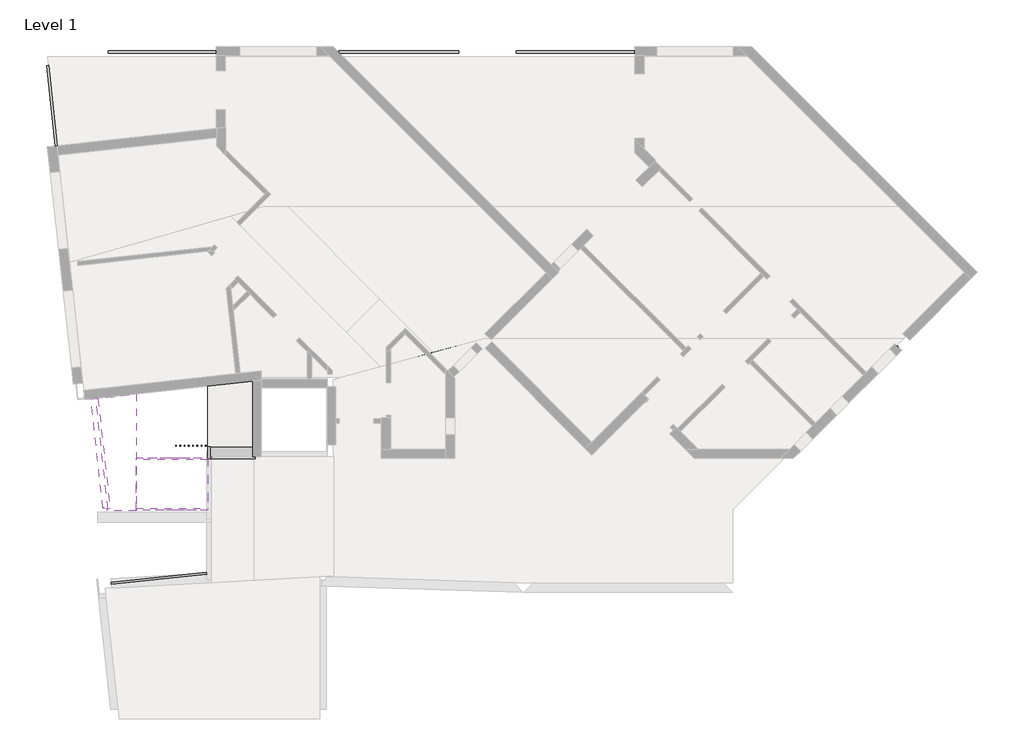
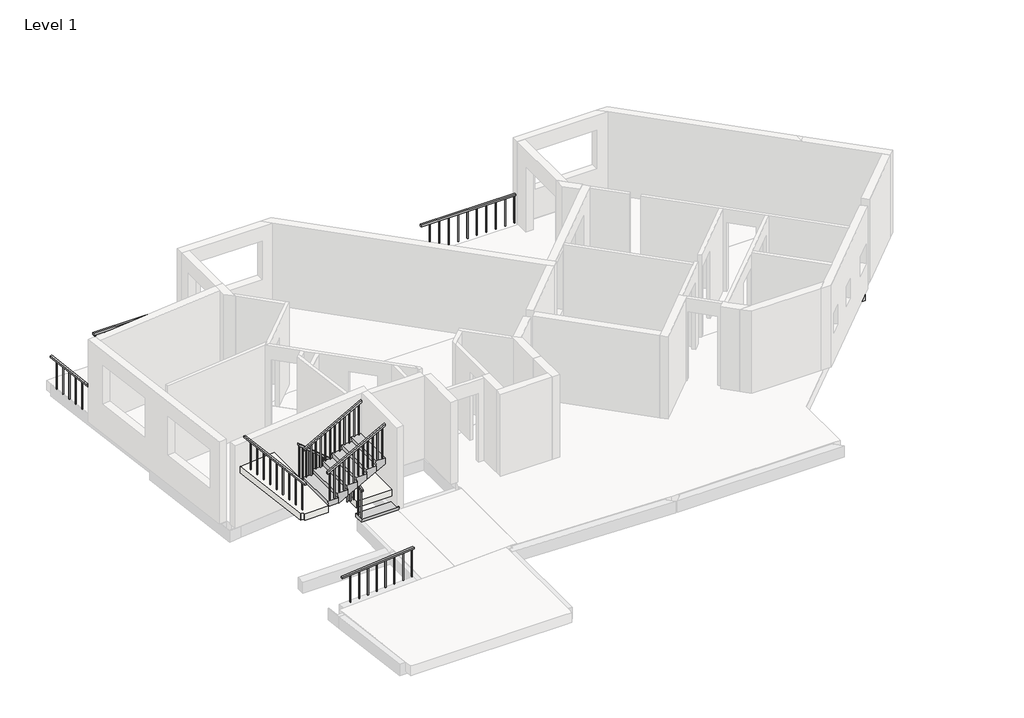
# One storey, part 3 of 3: 11 railings, 5 beams, 2 slabs, 2 stair flights.
"""IFC4 building model written with IfcOpenShell, lengths in millimetres."""

import ifcopenshell
import ifcopenshell.guid

model = None  # the IFC model being written
_history = None  # IfcOwnerHistory: only IFC2X3 demands one
_inside = {}  # id of a spatial element -> (the spatial element, [elements in it])
_under = {}  # id of a project, library or spatial element -> (it, [spatial elements below it])
_declared = {}  # id of a project -> (the project, [libraries it declares])
_typed = {}  # id of a type object -> (the type object, [elements of that type])
_made_of = {}  # id of a material, layer set ... -> (it, [elements and type objects made of it])


def new_model(schema):
    """Start an empty IFC model of exactly this schema.

    Asked for "IFC4X3", IfcOpenShell would pick the latest addendum, in which some entities
    have other attributes; the version numbers below select the first issue.
    IFC2X3 requires an IfcOwnerHistory on every rooted entity: one is made here for all.
    """
    global model, _history
    if schema == "IFC4X3":
        model = ifcopenshell.file(schema_version=(4, 3, 0, 0))
    else:
        model = ifcopenshell.file(schema=schema)
    _inside.clear()
    _under.clear()
    _declared.clear()
    _typed.clear()
    _made_of.clear()
    _history = None
    if model.schema == "IFC2X3":
        org = make("IfcOrganization", Name="unknown")
        user = make(
            "IfcPersonAndOrganization",
            ThePerson=make("IfcPerson", FamilyName="unknown"),
            TheOrganization=org,
        )
        app = make(
            "IfcApplication",
            ApplicationDeveloper=org,
            Version="unknown",
            ApplicationFullName="unknown",
            ApplicationIdentifier="unknown",
        )
        _history = make(
            "IfcOwnerHistory",
            OwningUser=user,
            OwningApplication=app,
            ChangeAction="ADDED",
            CreationDate=0,
        )
    return model


def make(cls, **values):
    """One entity of the class cls with the attributes given. An attribute that is None is left unset."""
    return model.create_entity(
        cls, **{name: value for name, value in values.items() if value is not None}
    )


def rooted(cls, **values):
    """An entity with a GlobalId (a new one), such as an element, a storey or a relation."""
    return make(cls, GlobalId=ifcopenshell.guid.new(), OwnerHistory=_history, **values)


def si_unit(unit_type, name, prefix=None):
    """IfcSIUnit, for example si_unit("LENGTHUNIT", "METRE", prefix="MILLI")."""
    return make("IfcSIUnit", UnitType=unit_type, Prefix=prefix, Name=name)


def assignment(units):
    """IfcUnitAssignment: the units of a project."""
    return None if units is None else make("IfcUnitAssignment", Units=units)


def point(xyz):
    """IfcCartesianPoint."""
    return None if xyz is None else make("IfcCartesianPoint", Coordinates=xyz)


def direction(xyz):
    """IfcDirection."""
    return None if xyz is None else make("IfcDirection", DirectionRatios=xyz)


def frame(location, z_axis=None, x_axis=None):
    """IfcAxis2Placement3D, a coordinate frame: its origin and axes. An axis left out is left unset."""
    return make(
        "IfcAxis2Placement3D",
        Location=point(location),
        Axis=direction(z_axis),
        RefDirection=direction(x_axis),
    )


def origin():
    """The frame at (0, 0, 0) with its axes left unset."""
    return frame((0.0, 0.0, 0.0))


def place(relative_to, where):
    """IfcLocalPlacement: puts the frame where relative to a parent placement (None: the world)."""
    return make(
        "IfcLocalPlacement", PlacementRelTo=relative_to, RelativePlacement=where
    )


def context(
    kind, dimensions, precision=None, world=None, true_north=None, identifier=None
):
    """IfcGeometricRepresentationContext, for example the 3D "Model" context."""
    return make(
        "IfcGeometricRepresentationContext",
        ContextIdentifier=identifier,
        ContextType=kind,
        CoordinateSpaceDimension=dimensions,
        Precision=precision,
        WorldCoordinateSystem=world,
        TrueNorth=true_north,
    )


def project(units=None, contexts=None):
    """IfcProject with its units and contexts."""
    return rooted(
        "IfcProject",
        Name="project",
        RepresentationContexts=contexts,
        UnitsInContext=assignment(units),
    )


def spatial(cls, under=None, at=None, **own):
    """A site, building, storey or space (cls), placed at a placement, below another one or the project."""
    s = rooted(cls, ObjectPlacement=at, **own)
    if under is not None:
        _under.setdefault(under.id(), (under, []))[1].append(s)
    return s


def polyline(points):
    """IfcPolyline through the points."""
    return make("IfcPolyline", Points=[point(p) for p in points])


def outline(outer, holes=None, kind="AREA"):
    """IfcArbitraryClosedProfileDef: a profile drawn as a closed curve; with holes, ...WithVoids."""
    if holes is None:
        return make("IfcArbitraryClosedProfileDef", ProfileType=kind, OuterCurve=outer)
    return make(
        "IfcArbitraryProfileDefWithVoids",
        ProfileType=kind,
        OuterCurve=outer,
        InnerCurves=holes,
    )


def extrude(swept, where, along, depth):
    """IfcExtrudedAreaSolid: the profile swept, set in the frame where, extruded along a direction by depth."""
    return make(
        "IfcExtrudedAreaSolid",
        SweptArea=swept,
        Position=where,
        ExtrudedDirection=direction(along),
        Depth=depth,
    )


def faces_of(points, faces, orient=None, outer=None):
    """IfcFace entities. A face is a list of loops; a loop is a list of indices into points, from 0.

    orient and outer hold one flag for each loop. By default every Orientation is true, the
    first loop of a face is its IfcFaceOuterBound and the others are IfcFaceBound.
    """
    made = []
    for i, loops in enumerate(faces):
        bounds = []
        for j, loop in enumerate(loops):
            is_outer = j == 0 if outer is None else outer[i][j]
            bounds.append(
                make(
                    "IfcFaceOuterBound" if is_outer else "IfcFaceBound",
                    Bound=make("IfcPolyLoop", Polygon=[points[k] for k in loop]),
                    Orientation=True if orient is None else orient[i][j],
                )
            )
        made.append(make("IfcFace", Bounds=bounds))
    return made


def faceted_brep(points, faces, orient=None, outer=None, voids=None):
    """IfcFacetedBrep: a solid bounded by flat faces; with voids (closed shells), ...WithVoids."""
    shared = [point(p) for p in points]
    hull = make("IfcClosedShell", CfsFaces=faces_of(shared, faces, orient, outer))
    if voids is None:
        return make("IfcFacetedBrep", Outer=hull)
    return make(
        "IfcFacetedBrepWithVoids",
        Outer=hull,
        Voids=[
            make(cls, CfsFaces=faces_of(shared, fs, o, b)) for cls, fs, o, b in voids
        ],
    )


def shape(context_of_items, identifier, shape_type, items):
    """IfcShapeRepresentation: the items that make up one representation, for example the "Body"."""
    return make(
        "IfcShapeRepresentation",
        ContextOfItems=context_of_items,
        RepresentationIdentifier=identifier,
        RepresentationType=shape_type,
        Items=items,
    )


def made_of(thing, what):
    """Note that an element or type object is made of a material, layer set ...; save() writes the relation."""
    if what is not None:
        _made_of.setdefault(what.id(), (what, []))[1].append(thing)
    return thing


def element(
    cls,
    number,
    at=None,
    inside=None,
    cuts=None,
    type_object=None,
    material=None,
    context=None,
    identifier="Body",
    shape_type=None,
    held_by="IfcProductDefinitionShape",
    body=None,
    shapes=None,
    **own,
):
    """One element of the class cls, such as IfcWall. Its Tag is "e" and its number.

    at: its placement. inside: the storey or other place that contains it. cuts: it is an
    opening in that element (IfcRelVoidsElement). A single representation is given by context,
    identifier, shape_type and body (its items); several are given by shapes. held_by: the class
    of the entity that holds the representations. save() writes the other relations.
    """
    e = rooted(cls, Tag="e%d" % number, ObjectPlacement=at, **own)
    if body is not None:
        shapes = [shape(context, identifier, shape_type, body)]
    if shapes is not None:
        e.Representation = make(held_by, Representations=shapes)
    if inside is not None:
        _inside.setdefault(inside.id(), (inside, []))[1].append(e)
    if cuts is not None:
        rooted(
            "IfcRelVoidsElement", RelatingBuildingElement=cuts, RelatedOpeningElement=e
        )
    if type_object is not None:
        _typed.setdefault(type_object.id(), (type_object, []))[1].append(e)
    return made_of(e, material)


def aggregate(whole, parts):
    """IfcRelAggregates: a whole, such as a stair, and the parts it consists of."""
    return rooted("IfcRelAggregates", RelatingObject=whole, RelatedObjects=parts)


def save(model, path):
    """Write the relations noted so far, then the file.

    IfcRelAggregates (storeys below a building ...), IfcRelContainedInSpatialStructure (elements
    in a storey), IfcRelDefinesByType, IfcRelAssociatesMaterial and IfcRelDeclares: one each for
    every whole, place, type object, material and project.
    """
    for whole, parts in _under.values():
        aggregate(whole, parts)
    for where, things in _inside.values():
        rooted(
            "IfcRelContainedInSpatialStructure",
            RelatedElements=things,
            RelatingStructure=where,
        )
    for kind, things in _typed.values():
        rooted("IfcRelDefinesByType", RelatedObjects=things, RelatingType=kind)
    for what, things in _made_of.values():
        rooted("IfcRelAssociatesMaterial", RelatedObjects=things, RelatingMaterial=what)
    for by, libraries in _declared.values():
        rooted("IfcRelDeclares", RelatingContext=by, RelatedDefinitions=libraries)
    model.write(path)


model = new_model("IFC4")

# Units and contexts
model_context = context("Model", 3, world=origin())
ifc_project = project(units=[si_unit("LENGTHUNIT", "METRE", prefix="MILLI")], contexts=[model_context])

# Site, building, storey
site = spatial("IfcSite", under=ifc_project)
building = spatial("IfcBuilding", under=site)
storey = spatial("IfcBuildingStorey", under=building, Name="Level 1", Elevation=1400.0)

# Beams
placement = place(None, origin())
element("IfcBeam", 1, ObjectType="Concrete-Rectangular Beam : 450 x 350mm 2", at=placement, inside=storey, context=model_context, shape_type="Brep", body=[
    faceted_brep([(9970.502258, -6647.5022634, 1025.0), (10153.5949702, -6831.026798, 1025.0), (6872.7844828, -7724.0, 1025.0), (6812.6378811, -7274.0, 1025.0), (7455.9079837, -7098.9143114, 1025.0), (7733.8316834, -7023.2688522, 1025.0), (8677.999454, -6766.2846342, 1025.0), (8955.8902764, -6690.6481235, 1025.0), (10163.3533983, -6362.0, 1025.0), (10182.6341452, -6362.0, 1025.0), (10182.6341452, -6435.86951, 1025.0), (6812.6378811, -7274.0, 1100.0), (7455.9079837, -7098.9143114, 1100.0), (7733.8316834, -7023.2688522, 1100.0), (8677.999454, -6766.2846342, 1100.0), (8955.8902764, -6690.6481235, 1100.0), (10163.3533983, -6362.0, 1100.0), (10182.6341452, -6435.86951, 1100.0), (9970.502258, -6647.5022634, 1100.0), (10153.5949702, -6831.026798, 1100.0), (10182.6341452, -6362.0, 1100.0), (6872.7844828, -7724.0, 1100.0), (6842.7111819, -7499.0, 1100.0)], [[[0, 1, 2, 3, 4, 5, 6, 7, 8, 9, 10]], [[8, 7, 6, 5, 4, 3, 11, 12, 13, 14, 15, 16]], [[0, 10, 17, 18]], [[1, 0, 18, 19]], [[9, 8, 16, 20]], [[10, 9, 20, 17]], [[2, 1, 19, 21]], [[3, 2, 21, 22, 11]], [[18, 17, 20, 16, 15, 14, 13, 12, 11, 22, 21, 19]]]),
])
element("IfcBeam", 2, ObjectType="Concrete-Rectangular Beam : 450 x 350mm 2", at=placement, inside=storey, context=model_context, shape_type="SweptSolid", body=[
    extrude(outline(polyline([(10182.6341452, -6362.0), (15097.6341452, -6362.0), (15097.6341452, -6435.86951), (14885.502258, -6647.5022634), (15049.6129412, -6812.0), (10230.3812298, -6812.0), (10394.7660324, -6648.0019851), (10182.8840061, -6435.620237), (10182.6341452, -6435.86951), (10182.6341452, -6362.0)])), frame((0.0, 0.0, 1025.0), z_axis=(0.0, 0.0, 1.0), x_axis=(1.0, 0.0, 0.0)), (0.0, 0.0, 1.0), 75.0),
])
element("IfcBeam", 3, ObjectType="Concrete-Rectangular Beam : 450 x 350mm 2", at=placement, inside=storey, context=model_context, shape_type="Brep", body=[
    faceted_brep([(15145.3812298, -6812.0, 1025.0), (19964.6129412, -6812.0, 1025.0), (19964.6129412, -6812.0, 1375.0), (19840.1119497, -6812.0, 1375.0), (19840.1119497, -6812.0, 1100.0), (15145.3812298, -6812.0, 1100.0), (15097.6341452, -6362.0, 1025.0), (20012.6341452, -6362.0, 1025.0), (20012.6341452, -6435.86951, 1025.0), (19800.502258, -6647.5022634, 1025.0), (15309.7660324, -6648.0019851, 1025.0), (15097.8840061, -6435.620237, 1025.0), (15097.6341452, -6435.86951, 1025.0), (15097.6341452, -6362.0, 1100.0), (20012.6341452, -6362.0, 1100.0), (15097.6341452, -6435.86951, 1100.0), (20012.6341452, -6435.86951, 1100.0), (15309.7660324, -6648.0019851, 1100.0), (15097.8840061, -6435.620237, 1100.0), (19800.502258, -6647.5022634, 1100.0), (19902.4357676, -6749.6761821, 1100.0), (19902.4357676, -6749.6761821, 1375.0)], [[[0, 1, 2, 3, 4, 5]], [[6, 7, 8, 9, 1, 0, 10, 11, 12]], [[7, 6, 13, 14]], [[6, 12, 15, 13]], [[8, 7, 14, 16]], [[11, 10, 17, 18]], [[12, 11, 18, 15]], [[10, 0, 5, 17]], [[9, 8, 16, 19]], [[1, 9, 19, 20, 21, 2]], [[5, 4, 20, 19, 16, 14, 13, 15, 18, 17]], [[20, 4, 3, 21]], [[2, 21, 3]]]),
])
element("IfcBeam", 4, ObjectType="Concrete-Rectangular Beam : 450 x 350mm 2", at=placement, inside=storey, context=model_context, shape_type="SweptSolid", body=[
    extrude(outline(polyline([(10182.6196567, -3269.0), (15097.6896698, -3269.0), (15097.6896698, -3307.1892236), (15097.4359534, -3306.9361041), (14885.5539271, -3519.3178522), (15085.7070234, -3719.0), (10194.7316038, -3719.0), (10394.7478362, -3518.9837675), (10182.6196567, -3306.855588), (10182.6196567, -3269.0)])), frame((0.0, 0.0, 1025.0), z_axis=(0.0, 0.0, 1.0), x_axis=(1.0, 0.0, 0.0)), (0.0, 0.0, 1.0), 75.0),
])
element("IfcBeam", 5, ObjectType="Concrete-Rectangular Beam : 450 x 350mm 2", at=placement, inside=storey, context=model_context, shape_type="Brep", body=[
    faceted_brep([(20012.6119462, -3306.8478775, 1375.0), (20012.6119462, -3269.0, 1375.0), (19787.6119462, -3269.0, 1375.0), (19919.0397406, -3400.4277944, 1375.0), (15110.1068481, -3719.0, 1025.0), (20000.5, -3719.0, 1025.0), (20000.5, -3719.0, 1100.0), (15110.1068481, -3719.0, 1100.0), (15097.6819579, -3269.0, 1025.0), (20012.6119462, -3269.0, 1025.0), (20012.6119462, -3306.8478775, 1025.0), (19800.4837675, -3518.9837675, 1025.0), (15309.8177015, -3518.8181304, 1025.0), (15097.6819579, -3307.1815298, 1025.0), (15097.6819579, -3269.0, 1100.0), (19787.6119462, -3269.0, 1100.0), (15097.6819579, -3307.1815298, 1100.0), (15309.8177015, -3518.8181304, 1100.0), (19919.0397406, -3400.4277944, 1100.0), (19800.4837675, -3518.9837675, 1100.0)], [[[0, 1, 2, 3]], [[4, 5, 6, 7]], [[8, 9, 10, 11, 5, 4, 12, 13]], [[9, 8, 14, 15, 2, 1]], [[8, 13, 16, 14]], [[9, 1, 0, 10]], [[12, 4, 7, 17]], [[13, 12, 17, 16]], [[11, 10, 0, 3, 18, 19]], [[5, 11, 19, 6]], [[7, 6, 19, 18, 15, 14, 16, 17]], [[15, 18, 3, 2]]]),
])

# Railings
element("IfcRailing", 6, ObjectType="900mm", at=placement, inside=storey, context=model_context, shape_type="SweptSolid", body=[
    extrude(outline(polyline([(1077.4776188, -7993.4738508), (1127.1787156, -7988.0148238), (1413.231726, -10592.3522972), (1363.5306292, -10597.8113241), (1077.4776188, -7993.4738508)])), frame((0.0, 0.0, 4100.0), z_axis=(0.0, 0.0, 1.0), x_axis=(1.0, 0.0, 0.0)), (0.0, 0.0, 1.0), 50.0),
    extrude(outline(polyline([(1361.5179748, -10442.1002159), (1381.3984135, -10439.9166051), (1383.5820243, -10459.7970439), (1363.7015856, -10461.9806546), (1361.5179748, -10442.1002159)])), frame((0.0, 0.0, 3250.0), z_axis=(0.0, 0.0, 1.0), x_axis=(1.0, 0.0, 0.0)), (0.0, 0.0, 1.0), 850.0),
    extrude(outline(polyline([(1331.4933268, -10168.7441834), (1351.3737655, -10166.5605726), (1353.5573763, -10186.4410114), (1333.6769375, -10188.6246221), (1331.4933268, -10168.7441834)])), frame((0.0, 0.0, 3250.0), z_axis=(0.0, 0.0, 1.0), x_axis=(1.0, 0.0, 0.0)), (0.0, 0.0, 1.0), 850.0),
    extrude(outline(polyline([(1301.4686787, -9895.3881509), (1321.3491175, -9893.2045401), (1323.5327282, -9913.0849789), (1303.6522895, -9915.2685896), (1301.4686787, -9895.3881509)])), frame((0.0, 0.0, 3250.0), z_axis=(0.0, 0.0, 1.0), x_axis=(1.0, 0.0, 0.0)), (0.0, 0.0, 1.0), 850.0),
    extrude(outline(polyline([(1271.4440307, -9622.0321184), (1291.3244694, -9619.8485076), (1293.5080802, -9639.7289463), (1273.6276415, -9641.9125571), (1271.4440307, -9622.0321184)])), frame((0.0, 0.0, 3250.0), z_axis=(0.0, 0.0, 1.0), x_axis=(1.0, 0.0, 0.0)), (0.0, 0.0, 1.0), 850.0),
    extrude(outline(polyline([(1241.4193827, -9348.6760859), (1261.2998214, -9346.4924751), (1263.4834321, -9366.3729138), (1243.6029934, -9368.5565246), (1241.4193827, -9348.6760859)])), frame((0.0, 0.0, 3250.0), z_axis=(0.0, 0.0, 1.0), x_axis=(1.0, 0.0, 0.0)), (0.0, 0.0, 1.0), 850.0),
    extrude(outline(polyline([(1211.3947346, -9075.3200534), (1231.2751733, -9073.1364426), (1233.4587841, -9093.0168813), (1213.5783454, -9095.2004921), (1211.3947346, -9075.3200534)])), frame((0.0, 0.0, 3250.0), z_axis=(0.0, 0.0, 1.0), x_axis=(1.0, 0.0, 0.0)), (0.0, 0.0, 1.0), 850.0),
    extrude(outline(polyline([(1181.3700866, -8801.9640208), (1201.2505253, -8799.7804101), (1203.4341361, -8819.6608488), (1183.5536973, -8821.8444596), (1181.3700866, -8801.9640208)])), frame((0.0, 0.0, 3250.0), z_axis=(0.0, 0.0, 1.0), x_axis=(1.0, 0.0, 0.0)), (0.0, 0.0, 1.0), 850.0),
    extrude(outline(polyline([(1151.3454385, -8528.6079883), (1171.2258773, -8526.4243776), (1173.409488, -8546.3048163), (1153.5290493, -8548.4884271), (1151.3454385, -8528.6079883)])), frame((0.0, 0.0, 3250.0), z_axis=(0.0, 0.0, 1.0), x_axis=(1.0, 0.0, 0.0)), (0.0, 0.0, 1.0), 850.0),
    extrude(outline(polyline([(1121.3207905, -8255.2519558), (1141.2012292, -8253.0683451), (1143.38484, -8272.9487838), (1123.5044013, -8275.1323946), (1121.3207905, -8255.2519558)])), frame((0.0, 0.0, 3250.0), z_axis=(0.0, 0.0, 1.0), x_axis=(1.0, 0.0, 0.0)), (0.0, 0.0, 1.0), 850.0),
])
element("IfcRailing", 7, ObjectType="900mm", at=placement, inside=storey, context=model_context, shape_type="SweptSolid", body=[
    extrude(outline(polyline([(-9411.8751231, 2346.9068973), (-9411.8751231, 2400.0), (-9131.8751231, 2500.0), (-9131.8751231, 2446.9068973), (-9411.8751231, 2346.9068973)])), frame((3712.0858427, 0.0, 0.0), z_axis=(1.0, 0.0, 0.0), x_axis=(0.0, 1.0, 0.0)), (0.0, 0.0, 1.0), 50.0),
    extrude(outline(polyline([(-9211.8751231, 2418.3354688), (-9191.8751231, 2425.4783259), (-9191.8751231, 1500.0), (-9211.8751231, 1500.0), (-9211.8751231, 2418.3354688)])), frame((3727.0858427, 0.0, 0.0), z_axis=(1.0, 0.0, 0.0), x_axis=(0.0, 1.0, 0.0)), (0.0, 0.0, 1.0), 20.0),
    extrude(outline(polyline([(-9351.8751231, 2368.3354688), (-9331.8751231, 2375.4783259), (-9331.8751231, 1500.0), (-9351.8751231, 1500.0), (-9351.8751231, 2368.3354688)])), frame((3727.0858427, 0.0, 0.0), z_axis=(1.0, 0.0, 0.0), x_axis=(0.0, 1.0, 0.0)), (0.0, 0.0, 1.0), 20.0),
])
element("IfcRailing", 8, ObjectType="900mm", at=placement, inside=storey, context=model_context, shape_type="SweptSolid", body=[
    extrude(outline(polyline([(2789.3212606, 3711.5922454), (2854.5454545, 3711.5922454), (4267.3882793, 2024.9426716), (4202.1640854, 2024.9426716), (2789.3212606, 3711.5922454)])), frame((0.0, -9131.4751231, 0.0), z_axis=(0.0, 1.0, 0.0), x_axis=(0.0, 0.0, 1.0)), (0.0, 0.0, 1.0), 50.0),
    extrude(outline(polyline([(4163.0874943, 2071.5922454), (4179.8407411, 2051.5922454), (3127.2727273, 2051.5922454), (3127.2727273, 2071.5922454), (4163.0874943, 2071.5922454)])), frame((0.0, -9116.4751231, 0.0), z_axis=(0.0, 1.0, 0.0), x_axis=(0.0, 0.0, 1.0)), (0.0, 0.0, 1.0), 20.0),
    extrude(outline(polyline([(4079.3212606, 2171.5922454), (4096.0745073, 2151.5922454), (3127.2727273, 2151.5922454), (3127.2727273, 2171.5922454), (4079.3212606, 2171.5922454)])), frame((0.0, -9116.4751231, 0.0), z_axis=(0.0, 1.0, 0.0), x_axis=(0.0, 0.0, 1.0)), (0.0, 0.0, 1.0), 20.0),
    extrude(outline(polyline([(3995.5550268, 2271.5922454), (4012.3082736, 2251.5922454), (3127.2727273, 2251.5922454), (3127.2727273, 2271.5922454), (3995.5550268, 2271.5922454)])), frame((0.0, -9116.4751231, 0.0), z_axis=(0.0, 1.0, 0.0), x_axis=(0.0, 0.0, 1.0)), (0.0, 0.0, 1.0), 20.0),
    extrude(outline(polyline([(3911.788793, 2371.5922454), (3928.5420398, 2351.5922454), (2892.7272727, 2351.5922454), (2892.7272727, 2371.5922454), (3911.788793, 2371.5922454)])), frame((0.0, -9116.4751231, 0.0), z_axis=(0.0, 1.0, 0.0), x_axis=(0.0, 0.0, 1.0)), (0.0, 0.0, 1.0), 20.0),
    extrude(outline(polyline([(3828.0225593, 2471.5922454), (3844.775806, 2451.5922454), (2892.7272727, 2451.5922454), (2892.7272727, 2471.5922454), (3828.0225593, 2471.5922454)])), frame((0.0, -9116.4751231, 0.0), z_axis=(0.0, 1.0, 0.0), x_axis=(0.0, 0.0, 1.0)), (0.0, 0.0, 1.0), 20.0),
    extrude(outline(polyline([(3744.2563255, 2571.5922454), (3761.0095723, 2551.5922454), (2892.7272727, 2551.5922454), (2892.7272727, 2571.5922454), (3744.2563255, 2571.5922454)])), frame((0.0, -9116.4751231, 0.0), z_axis=(0.0, 1.0, 0.0), x_axis=(0.0, 0.0, 1.0)), (0.0, 0.0, 1.0), 20.0),
    extrude(outline(polyline([(3660.4900917, 2671.5922454), (3677.2433385, 2651.5922454), (2658.1818182, 2651.5922454), (2658.1818182, 2671.5922454), (3660.4900917, 2671.5922454)])), frame((0.0, -9116.4751231, 0.0), z_axis=(0.0, 1.0, 0.0), x_axis=(0.0, 0.0, 1.0)), (0.0, 0.0, 1.0), 20.0),
    extrude(outline(polyline([(3576.723858, 2771.5922454), (3593.4771047, 2751.5922454), (2658.1818182, 2751.5922454), (2658.1818182, 2771.5922454), (3576.723858, 2771.5922454)])), frame((0.0, -9116.4751231, 0.0), z_axis=(0.0, 1.0, 0.0), x_axis=(0.0, 0.0, 1.0)), (0.0, 0.0, 1.0), 20.0),
    extrude(outline(polyline([(3492.9576242, 2871.5922454), (3509.710871, 2851.5922454), (2658.1818182, 2851.5922454), (2658.1818182, 2871.5922454), (3492.9576242, 2871.5922454)])), frame((0.0, -9116.4751231, 0.0), z_axis=(0.0, 1.0, 0.0), x_axis=(0.0, 0.0, 1.0)), (0.0, 0.0, 1.0), 20.0),
    extrude(outline(polyline([(3409.1913904, 2971.5922454), (3425.9446372, 2951.5922454), (2423.6363636, 2951.5922454), (2423.6363636, 2971.5922454), (3409.1913904, 2971.5922454)])), frame((0.0, -9116.4751231, 0.0), z_axis=(0.0, 1.0, 0.0), x_axis=(0.0, 0.0, 1.0)), (0.0, 0.0, 1.0), 20.0),
    extrude(outline(polyline([(3325.4251567, 3071.5922454), (3342.1784034, 3051.5922454), (2423.6363636, 3051.5922454), (2423.6363636, 3071.5922454), (3325.4251567, 3071.5922454)])), frame((0.0, -9116.4751231, 0.0), z_axis=(0.0, 1.0, 0.0), x_axis=(0.0, 0.0, 1.0)), (0.0, 0.0, 1.0), 20.0),
    extrude(outline(polyline([(3241.6589229, 3171.5922454), (3258.4121697, 3151.5922454), (2189.0909091, 3151.5922454), (2189.0909091, 3171.5922454), (3241.6589229, 3171.5922454)])), frame((0.0, -9116.4751231, 0.0), z_axis=(0.0, 1.0, 0.0), x_axis=(0.0, 0.0, 1.0)), (0.0, 0.0, 1.0), 20.0),
    extrude(outline(polyline([(3157.8926891, 3271.5922454), (3174.6459359, 3251.5922454), (2189.0909091, 3251.5922454), (2189.0909091, 3271.5922454), (3157.8926891, 3271.5922454)])), frame((0.0, -9116.4751231, 0.0), z_axis=(0.0, 1.0, 0.0), x_axis=(0.0, 0.0, 1.0)), (0.0, 0.0, 1.0), 20.0),
    extrude(outline(polyline([(3074.1264554, 3371.5922454), (3090.8797021, 3351.5922454), (2189.0909091, 3351.5922454), (2189.0909091, 3371.5922454), (3074.1264554, 3371.5922454)])), frame((0.0, -9116.4751231, 0.0), z_axis=(0.0, 1.0, 0.0), x_axis=(0.0, 0.0, 1.0)), (0.0, 0.0, 1.0), 20.0),
    extrude(outline(polyline([(2990.3602216, 3471.5922454), (3007.1134684, 3451.5922454), (1954.5454545, 3451.5922454), (1954.5454545, 3471.5922454), (2990.3602216, 3471.5922454)])), frame((0.0, -9116.4751231, 0.0), z_axis=(0.0, 1.0, 0.0), x_axis=(0.0, 0.0, 1.0)), (0.0, 0.0, 1.0), 20.0),
    extrude(outline(polyline([(2906.5939878, 3571.5922454), (2923.3472346, 3551.5922454), (1954.5454545, 3551.5922454), (1954.5454545, 3571.5922454), (2906.5939878, 3571.5922454)])), frame((0.0, -9116.4751231, 0.0), z_axis=(0.0, 1.0, 0.0), x_axis=(0.0, 0.0, 1.0)), (0.0, 0.0, 1.0), 20.0),
    extrude(outline(polyline([(2822.8277541, 3671.5922454), (2839.5810008, 3651.5922454), (1954.5454545, 3651.5922454), (1954.5454545, 3671.5922454), (2822.8277541, 3671.5922454)])), frame((0.0, -9116.4751231, 0.0), z_axis=(0.0, 1.0, 0.0), x_axis=(0.0, 0.0, 1.0)), (0.0, 0.0, 1.0), 20.0),
])
element("IfcRailing", 9, ObjectType="900mm", at=placement, inside=storey, context=model_context, shape_type="SweptSolid", body=[
    extrude(outline(polyline([(4282.8571429, 2021.1968697), (4225.8916519, 2021.1968697), (5143.034509, 3701.1968697), (5200.0, 3701.1968697), (4282.8571429, 2021.1968697)])), frame((0.0, -10622.9406474, 0.0), z_axis=(0.0, 1.0, 0.0), x_axis=(0.0, 0.0, 1.0)), (0.0, 0.0, 1.0), 50.0),
    extrude(outline(polyline([(5099.3610397, 3621.1968697), (4147.1428571, 3621.1968697), (4147.1428571, 3641.1968697), (5110.279407, 3641.1968697), (5099.3610397, 3621.1968697)])), frame((0.0, -10607.9406474, 0.0), z_axis=(0.0, 1.0, 0.0), x_axis=(0.0, 0.0, 1.0)), (0.0, 0.0, 1.0), 20.0),
    extrude(outline(polyline([(5022.9324682, 3481.1968697), (4147.1428571, 3481.1968697), (4147.1428571, 3501.1968697), (5033.8508356, 3501.1968697), (5022.9324682, 3481.1968697)])), frame((0.0, -10607.9406474, 0.0), z_axis=(0.0, 1.0, 0.0), x_axis=(0.0, 0.0, 1.0)), (0.0, 0.0, 1.0), 20.0),
    extrude(outline(polyline([(4946.5038968, 3341.1968697), (3994.2857143, 3341.1968697), (3994.2857143, 3361.1968697), (4957.4222641, 3361.1968697), (4946.5038968, 3341.1968697)])), frame((0.0, -10607.9406474, 0.0), z_axis=(0.0, 1.0, 0.0), x_axis=(0.0, 0.0, 1.0)), (0.0, 0.0, 1.0), 20.0),
    extrude(outline(polyline([(4870.0753254, 3201.1968697), (3994.2857143, 3201.1968697), (3994.2857143, 3221.1968697), (4880.9936927, 3221.1968697), (4870.0753254, 3201.1968697)])), frame((0.0, -10607.9406474, 0.0), z_axis=(0.0, 1.0, 0.0), x_axis=(0.0, 0.0, 1.0)), (0.0, 0.0, 1.0), 20.0),
    extrude(outline(polyline([(4793.6467539, 3061.1968697), (3841.4285714, 3061.1968697), (3841.4285714, 3081.1968697), (4804.5651213, 3081.1968697), (4793.6467539, 3061.1968697)])), frame((0.0, -10607.9406474, 0.0), z_axis=(0.0, 1.0, 0.0), x_axis=(0.0, 0.0, 1.0)), (0.0, 0.0, 1.0), 20.0),
    extrude(outline(polyline([(4717.2181825, 2921.1968697), (3841.4285714, 2921.1968697), (3841.4285714, 2941.1968697), (4728.1365499, 2941.1968697), (4717.2181825, 2921.1968697)])), frame((0.0, -10607.9406474, 0.0), z_axis=(0.0, 1.0, 0.0), x_axis=(0.0, 0.0, 1.0)), (0.0, 0.0, 1.0), 20.0),
    extrude(outline(polyline([(4640.7896111, 2781.1968697), (3688.5714286, 2781.1968697), (3688.5714286, 2801.1968697), (4651.7079784, 2801.1968697), (4640.7896111, 2781.1968697)])), frame((0.0, -10607.9406474, 0.0), z_axis=(0.0, 1.0, 0.0), x_axis=(0.0, 0.0, 1.0)), (0.0, 0.0, 1.0), 20.0),
    extrude(outline(polyline([(4564.3610397, 2641.1968697), (3688.5714286, 2641.1968697), (3688.5714286, 2661.1968697), (4575.279407, 2661.1968697), (4564.3610397, 2641.1968697)])), frame((0.0, -10607.9406474, 0.0), z_axis=(0.0, 1.0, 0.0), x_axis=(0.0, 0.0, 1.0)), (0.0, 0.0, 1.0), 20.0),
    extrude(outline(polyline([(4487.9324682, 2501.1968697), (3535.7142857, 2501.1968697), (3535.7142857, 2521.1968697), (4498.8508356, 2521.1968697), (4487.9324682, 2501.1968697)])), frame((0.0, -10607.9406474, 0.0), z_axis=(0.0, 1.0, 0.0), x_axis=(0.0, 0.0, 1.0)), (0.0, 0.0, 1.0), 20.0),
    extrude(outline(polyline([(4411.5038968, 2361.1968697), (3535.7142857, 2361.1968697), (3535.7142857, 2381.1968697), (4422.4222641, 2381.1968697), (4411.5038968, 2361.1968697)])), frame((0.0, -10607.9406474, 0.0), z_axis=(0.0, 1.0, 0.0), x_axis=(0.0, 0.0, 1.0)), (0.0, 0.0, 1.0), 20.0),
    extrude(outline(polyline([(4335.0753254, 2221.1968697), (3382.8571429, 2221.1968697), (3382.8571429, 2241.1968697), (4345.9936927, 2241.1968697), (4335.0753254, 2221.1968697)])), frame((0.0, -10607.9406474, 0.0), z_axis=(0.0, 1.0, 0.0), x_axis=(0.0, 0.0, 1.0)), (0.0, 0.0, 1.0), 20.0),
    extrude(outline(polyline([(4258.6467539, 2081.1968697), (3382.8571429, 2081.1968697), (3382.8571429, 2101.1968697), (4269.5651213, 2101.1968697), (4258.6467539, 2081.1968697)])), frame((0.0, -10607.9406474, 0.0), z_axis=(0.0, 1.0, 0.0), x_axis=(0.0, 0.0, 1.0)), (0.0, 0.0, 1.0), 20.0),
])
element("IfcRailing", 10, ObjectType="900mm", at=placement, inside=storey, context=model_context, shape_type="SweptSolid", body=[
    extrude(outline(polyline([(4282.8571429, 2021.1968697), (4225.8916519, 2021.1968697), (5143.034509, 3701.1968697), (5200.0, 3701.1968697), (4282.8571429, 2021.1968697)])), frame((0.0, -9435.6097641, 0.0), z_axis=(0.0, 1.0, 0.0), x_axis=(0.0, 0.0, 1.0)), (0.0, 0.0, 1.0), 50.0),
    extrude(outline(polyline([(4147.1428571, 3621.1968697), (4147.1428571, 3641.1968697), (5110.279407, 3641.1968697), (5099.3610397, 3621.1968697), (4147.1428571, 3621.1968697)])), frame((0.0, -9420.6097641, 0.0), z_axis=(0.0, 1.0, 0.0), x_axis=(0.0, 0.0, 1.0)), (0.0, 0.0, 1.0), 20.0),
    extrude(outline(polyline([(4147.1428571, 3481.1968697), (4147.1428571, 3501.1968697), (5033.8508356, 3501.1968697), (5022.9324682, 3481.1968697), (4147.1428571, 3481.1968697)])), frame((0.0, -9420.6097641, 0.0), z_axis=(0.0, 1.0, 0.0), x_axis=(0.0, 0.0, 1.0)), (0.0, 0.0, 1.0), 20.0),
    extrude(outline(polyline([(3994.2857143, 3341.1968697), (3994.2857143, 3361.1968697), (4957.4222641, 3361.1968697), (4946.5038968, 3341.1968697), (3994.2857143, 3341.1968697)])), frame((0.0, -9420.6097641, 0.0), z_axis=(0.0, 1.0, 0.0), x_axis=(0.0, 0.0, 1.0)), (0.0, 0.0, 1.0), 20.0),
    extrude(outline(polyline([(3994.2857143, 3201.1968697), (3994.2857143, 3221.1968697), (4880.9936927, 3221.1968697), (4870.0753254, 3201.1968697), (3994.2857143, 3201.1968697)])), frame((0.0, -9420.6097641, 0.0), z_axis=(0.0, 1.0, 0.0), x_axis=(0.0, 0.0, 1.0)), (0.0, 0.0, 1.0), 20.0),
    extrude(outline(polyline([(3841.4285714, 3061.1968697), (3841.4285714, 3081.1968697), (4804.5651213, 3081.1968697), (4793.6467539, 3061.1968697), (3841.4285714, 3061.1968697)])), frame((0.0, -9420.6097641, 0.0), z_axis=(0.0, 1.0, 0.0), x_axis=(0.0, 0.0, 1.0)), (0.0, 0.0, 1.0), 20.0),
    extrude(outline(polyline([(3841.4285714, 2921.1968697), (3841.4285714, 2941.1968697), (4728.1365499, 2941.1968697), (4717.2181825, 2921.1968697), (3841.4285714, 2921.1968697)])), frame((0.0, -9420.6097641, 0.0), z_axis=(0.0, 1.0, 0.0), x_axis=(0.0, 0.0, 1.0)), (0.0, 0.0, 1.0), 20.0),
    extrude(outline(polyline([(3688.5714286, 2781.1968697), (3688.5714286, 2801.1968697), (4651.7079784, 2801.1968697), (4640.7896111, 2781.1968697), (3688.5714286, 2781.1968697)])), frame((0.0, -9420.6097641, 0.0), z_axis=(0.0, 1.0, 0.0), x_axis=(0.0, 0.0, 1.0)), (0.0, 0.0, 1.0), 20.0),
    extrude(outline(polyline([(3688.5714286, 2641.1968697), (3688.5714286, 2661.1968697), (4575.279407, 2661.1968697), (4564.3610397, 2641.1968697), (3688.5714286, 2641.1968697)])), frame((0.0, -9420.6097641, 0.0), z_axis=(0.0, 1.0, 0.0), x_axis=(0.0, 0.0, 1.0)), (0.0, 0.0, 1.0), 20.0),
    extrude(outline(polyline([(3535.7142857, 2501.1968697), (3535.7142857, 2521.1968697), (4498.8508356, 2521.1968697), (4487.9324682, 2501.1968697), (3535.7142857, 2501.1968697)])), frame((0.0, -9420.6097641, 0.0), z_axis=(0.0, 1.0, 0.0), x_axis=(0.0, 0.0, 1.0)), (0.0, 0.0, 1.0), 20.0),
    extrude(outline(polyline([(3535.7142857, 2361.1968697), (3535.7142857, 2381.1968697), (4422.4222641, 2381.1968697), (4411.5038968, 2361.1968697), (3535.7142857, 2361.1968697)])), frame((0.0, -9420.6097641, 0.0), z_axis=(0.0, 1.0, 0.0), x_axis=(0.0, 0.0, 1.0)), (0.0, 0.0, 1.0), 20.0),
    extrude(outline(polyline([(3382.8571429, 2221.1968697), (3382.8571429, 2241.1968697), (4345.9936927, 2241.1968697), (4335.0753254, 2221.1968697), (3382.8571429, 2221.1968697)])), frame((0.0, -9420.6097641, 0.0), z_axis=(0.0, 1.0, 0.0), x_axis=(0.0, 0.0, 1.0)), (0.0, 0.0, 1.0), 20.0),
    extrude(outline(polyline([(3382.8571429, 2081.1968697), (3382.8571429, 2101.1968697), (4269.5651213, 2101.1968697), (4258.6467539, 2081.1968697), (3382.8571429, 2081.1968697)])), frame((0.0, -9420.6097641, 0.0), z_axis=(0.0, 1.0, 0.0), x_axis=(0.0, 0.0, 1.0)), (0.0, 0.0, 1.0), 20.0),
])
element("IfcRailing", 11, ObjectType="900mm", at=placement, inside=storey, context=model_context, shape_type="SweptSolid", body=[
    extrude(outline(polyline([(3902.9313453, 171.6593526), (3902.9313453, 121.6593526), (1363.1776272, 121.6593526), (1363.1776272, 171.6593526), (3902.9313453, 171.6593526)])), frame((0.0, 0.0, 2250.0), z_axis=(0.0, 0.0, 1.0), x_axis=(1.0, 0.0, 0.0)), (0.0, 0.0, 1.0), 50.0),
    extrude(outline(polyline([(1437.9313453, 156.6593526), (1437.9313453, 136.6593526), (1417.9313453, 136.6593526), (1417.9313453, 156.6593526), (1437.9313453, 156.6593526)])), frame((0.0, 0.0, 1400.0), z_axis=(0.0, 0.0, 1.0), x_axis=(1.0, 0.0, 0.0)), (0.0, 0.0, 1.0), 850.0),
    extrude(outline(polyline([(1712.9313453, 156.6593526), (1712.9313453, 136.6593526), (1692.9313453, 136.6593526), (1692.9313453, 156.6593526), (1712.9313453, 156.6593526)])), frame((0.0, 0.0, 1400.0), z_axis=(0.0, 0.0, 1.0), x_axis=(1.0, 0.0, 0.0)), (0.0, 0.0, 1.0), 850.0),
    extrude(outline(polyline([(1987.9313453, 156.6593526), (1987.9313453, 136.6593526), (1967.9313453, 136.6593526), (1967.9313453, 156.6593526), (1987.9313453, 156.6593526)])), frame((0.0, 0.0, 1400.0), z_axis=(0.0, 0.0, 1.0), x_axis=(1.0, 0.0, 0.0)), (0.0, 0.0, 1.0), 850.0),
    extrude(outline(polyline([(2262.9313453, 156.6593526), (2262.9313453, 136.6593526), (2242.9313453, 136.6593526), (2242.9313453, 156.6593526), (2262.9313453, 156.6593526)])), frame((0.0, 0.0, 1400.0), z_axis=(0.0, 0.0, 1.0), x_axis=(1.0, 0.0, 0.0)), (0.0, 0.0, 1.0), 850.0),
    extrude(outline(polyline([(2537.9313453, 156.6593526), (2537.9313453, 136.6593526), (2517.9313453, 136.6593526), (2517.9313453, 156.6593526), (2537.9313453, 156.6593526)])), frame((0.0, 0.0, 1400.0), z_axis=(0.0, 0.0, 1.0), x_axis=(1.0, 0.0, 0.0)), (0.0, 0.0, 1.0), 850.0),
    extrude(outline(polyline([(2812.9313453, 156.6593526), (2812.9313453, 136.6593526), (2792.9313453, 136.6593526), (2792.9313453, 156.6593526), (2812.9313453, 156.6593526)])), frame((0.0, 0.0, 1400.0), z_axis=(0.0, 0.0, 1.0), x_axis=(1.0, 0.0, 0.0)), (0.0, 0.0, 1.0), 850.0),
    extrude(outline(polyline([(3087.9313453, 156.6593526), (3087.9313453, 136.6593526), (3067.9313453, 136.6593526), (3067.9313453, 156.6593526), (3087.9313453, 156.6593526)])), frame((0.0, 0.0, 1400.0), z_axis=(0.0, 0.0, 1.0), x_axis=(1.0, 0.0, 0.0)), (0.0, 0.0, 1.0), 850.0),
    extrude(outline(polyline([(3362.9313453, 156.6593526), (3362.9313453, 136.6593526), (3342.9313453, 136.6593526), (3342.9313453, 156.6593526), (3362.9313453, 156.6593526)])), frame((0.0, 0.0, 1400.0), z_axis=(0.0, 0.0, 1.0), x_axis=(1.0, 0.0, 0.0)), (0.0, 0.0, 1.0), 850.0),
    extrude(outline(polyline([(3637.9313453, 156.6593526), (3637.9313453, 136.6593526), (3617.9313453, 136.6593526), (3617.9313453, 156.6593526), (3637.9313453, 156.6593526)])), frame((0.0, 0.0, 1400.0), z_axis=(0.0, 0.0, 1.0), x_axis=(1.0, 0.0, 0.0)), (0.0, 0.0, 1.0), 850.0),
])
element("IfcRailing", 12, ObjectType="900mm", at=placement, inside=storey, context=model_context, shape_type="SweptSolid", body=[
    extrude(outline(polyline([(175.53152, -2057.9484068), (125.8304965, -2063.4081014), (-81.6378953, -174.7692088), (-31.9368718, -169.3095143), (175.53152, -2057.9484068)])), frame((0.0, 0.0, 2250.0), z_axis=(0.0, 0.0, 1.0), x_axis=(1.0, 0.0, 0.0)), (0.0, 0.0, 1.0), 50.0),
    extrude(outline(polyline([(-18.4567673, -429.3927448), (-38.3371767, -431.5766226), (-40.5210545, -411.6962132), (-20.6406451, -409.5123354), (-18.4567673, -429.3927448)])), frame((0.0, 0.0, 1400.0), z_axis=(0.0, 0.0, 1.0), x_axis=(1.0, 0.0, 0.0)), (0.0, 0.0, 1.0), 850.0),
    extrude(outline(polyline([(11.5715526, -702.748374), (-8.3088568, -704.9322518), (-10.4927346, -685.0518424), (9.3876747, -682.8679646), (11.5715526, -702.748374)])), frame((0.0, 0.0, 1400.0), z_axis=(0.0, 0.0, 1.0), x_axis=(1.0, 0.0, 0.0)), (0.0, 0.0, 1.0), 850.0),
    extrude(outline(polyline([(41.5998724, -976.1040032), (21.719463, -978.287881), (19.5355852, -958.4074716), (39.4159946, -956.2235938), (41.5998724, -976.1040032)])), frame((0.0, 0.0, 1400.0), z_axis=(0.0, 0.0, 1.0), x_axis=(1.0, 0.0, 0.0)), (0.0, 0.0, 1.0), 850.0),
    extrude(outline(polyline([(71.6281923, -1249.4596323), (51.7477829, -1251.6435101), (49.5639051, -1231.7631007), (69.4443145, -1229.5792229), (71.6281923, -1249.4596323)])), frame((0.0, 0.0, 1400.0), z_axis=(0.0, 0.0, 1.0), x_axis=(1.0, 0.0, 0.0)), (0.0, 0.0, 1.0), 850.0),
    extrude(outline(polyline([(101.6565121, -1522.8152615), (81.7761027, -1524.9991393), (79.5922249, -1505.1187299), (99.4726343, -1502.9348521), (101.6565121, -1522.8152615)])), frame((0.0, 0.0, 1400.0), z_axis=(0.0, 0.0, 1.0), x_axis=(1.0, 0.0, 0.0)), (0.0, 0.0, 1.0), 850.0),
    extrude(outline(polyline([(131.684832, -1796.1708907), (111.8044226, -1798.3547685), (109.6205448, -1778.4743591), (129.5009542, -1776.2904813), (131.684832, -1796.1708907)])), frame((0.0, 0.0, 1400.0), z_axis=(0.0, 0.0, 1.0), x_axis=(1.0, 0.0, 0.0)), (0.0, 0.0, 1.0), 850.0),
])
element("IfcRailing", 13, ObjectType="900mm", at=placement, inside=storey, context=model_context, shape_type="SweptSolid", body=[
    extrude(outline(polyline([(9606.5262021, 171.6593526), (9606.5262021, 121.6593526), (6788.378981, 121.6593526), (6788.378981, 171.6593526), (9606.5262021, 171.6593526)])), frame((0.0, 0.0, 2250.0), z_axis=(0.0, 0.0, 1.0), x_axis=(1.0, 0.0, 0.0)), (0.0, 0.0, 1.0), 50.0),
    extrude(outline(polyline([(6866.5262021, 156.6593526), (6866.5262021, 136.6593526), (6846.5262021, 136.6593526), (6846.5262021, 156.6593526), (6866.5262021, 156.6593526)])), frame((0.0, 0.0, 1400.0), z_axis=(0.0, 0.0, 1.0), x_axis=(1.0, 0.0, 0.0)), (0.0, 0.0, 1.0), 850.0),
    extrude(outline(polyline([(7141.5262021, 156.6593526), (7141.5262021, 136.6593526), (7121.5262021, 136.6593526), (7121.5262021, 156.6593526), (7141.5262021, 156.6593526)])), frame((0.0, 0.0, 1400.0), z_axis=(0.0, 0.0, 1.0), x_axis=(1.0, 0.0, 0.0)), (0.0, 0.0, 1.0), 850.0),
    extrude(outline(polyline([(7416.5262021, 156.6593526), (7416.5262021, 136.6593526), (7396.5262021, 136.6593526), (7396.5262021, 156.6593526), (7416.5262021, 156.6593526)])), frame((0.0, 0.0, 1400.0), z_axis=(0.0, 0.0, 1.0), x_axis=(1.0, 0.0, 0.0)), (0.0, 0.0, 1.0), 850.0),
    extrude(outline(polyline([(7691.5262021, 156.6593526), (7691.5262021, 136.6593526), (7671.5262021, 136.6593526), (7671.5262021, 156.6593526), (7691.5262021, 156.6593526)])), frame((0.0, 0.0, 1400.0), z_axis=(0.0, 0.0, 1.0), x_axis=(1.0, 0.0, 0.0)), (0.0, 0.0, 1.0), 850.0),
    extrude(outline(polyline([(7966.5262021, 156.6593526), (7966.5262021, 136.6593526), (7946.5262021, 136.6593526), (7946.5262021, 156.6593526), (7966.5262021, 156.6593526)])), frame((0.0, 0.0, 1400.0), z_axis=(0.0, 0.0, 1.0), x_axis=(1.0, 0.0, 0.0)), (0.0, 0.0, 1.0), 850.0),
    extrude(outline(polyline([(8241.5262021, 156.6593526), (8241.5262021, 136.6593526), (8221.5262021, 136.6593526), (8221.5262021, 156.6593526), (8241.5262021, 156.6593526)])), frame((0.0, 0.0, 1400.0), z_axis=(0.0, 0.0, 1.0), x_axis=(1.0, 0.0, 0.0)), (0.0, 0.0, 1.0), 850.0),
    extrude(outline(polyline([(8516.5262021, 156.6593526), (8516.5262021, 136.6593526), (8496.5262021, 136.6593526), (8496.5262021, 156.6593526), (8516.5262021, 156.6593526)])), frame((0.0, 0.0, 1400.0), z_axis=(0.0, 0.0, 1.0), x_axis=(1.0, 0.0, 0.0)), (0.0, 0.0, 1.0), 850.0),
    extrude(outline(polyline([(8791.5262021, 156.6593526), (8791.5262021, 136.6593526), (8771.5262021, 136.6593526), (8771.5262021, 156.6593526), (8791.5262021, 156.6593526)])), frame((0.0, 0.0, 1400.0), z_axis=(0.0, 0.0, 1.0), x_axis=(1.0, 0.0, 0.0)), (0.0, 0.0, 1.0), 850.0),
    extrude(outline(polyline([(9066.5262021, 156.6593526), (9066.5262021, 136.6593526), (9046.5262021, 136.6593526), (9046.5262021, 156.6593526), (9066.5262021, 156.6593526)])), frame((0.0, 0.0, 1400.0), z_axis=(0.0, 0.0, 1.0), x_axis=(1.0, 0.0, 0.0)), (0.0, 0.0, 1.0), 850.0),
    extrude(outline(polyline([(9341.5262021, 156.6593526), (9341.5262021, 136.6593526), (9321.5262021, 136.6593526), (9321.5262021, 156.6593526), (9341.5262021, 156.6593526)])), frame((0.0, 0.0, 1400.0), z_axis=(0.0, 0.0, 1.0), x_axis=(1.0, 0.0, 0.0)), (0.0, 0.0, 1.0), 850.0),
])
element("IfcRailing", 14, ObjectType="900mm", at=placement, inside=storey, context=model_context, shape_type="SweptSolid", body=[
    extrude(outline(polyline([(10955.7262021, 121.6593526), (10955.7262021, 171.6593526), (13735.7262021, 171.6593526), (13735.7262021, 121.6593526), (10955.7262021, 121.6593526)])), frame((0.0, 0.0, 2250.0), z_axis=(0.0, 0.0, 1.0), x_axis=(1.0, 0.0, 0.0)), (0.0, 0.0, 1.0), 50.0),
    extrude(outline(polyline([(13695.7262021, 136.6593526), (13695.7262021, 156.6593526), (13715.7262021, 156.6593526), (13715.7262021, 136.6593526), (13695.7262021, 136.6593526)])), frame((0.0, 0.0, 1400.0), z_axis=(0.0, 0.0, 1.0), x_axis=(1.0, 0.0, 0.0)), (0.0, 0.0, 1.0), 850.0),
    extrude(outline(polyline([(13420.7262021, 136.6593526), (13420.7262021, 156.6593526), (13440.7262021, 156.6593526), (13440.7262021, 136.6593526), (13420.7262021, 136.6593526)])), frame((0.0, 0.0, 1400.0), z_axis=(0.0, 0.0, 1.0), x_axis=(1.0, 0.0, 0.0)), (0.0, 0.0, 1.0), 850.0),
    extrude(outline(polyline([(13145.7262021, 136.6593526), (13145.7262021, 156.6593526), (13165.7262021, 156.6593526), (13165.7262021, 136.6593526), (13145.7262021, 136.6593526)])), frame((0.0, 0.0, 1400.0), z_axis=(0.0, 0.0, 1.0), x_axis=(1.0, 0.0, 0.0)), (0.0, 0.0, 1.0), 850.0),
    extrude(outline(polyline([(12870.7262021, 136.6593526), (12870.7262021, 156.6593526), (12890.7262021, 156.6593526), (12890.7262021, 136.6593526), (12870.7262021, 136.6593526)])), frame((0.0, 0.0, 1400.0), z_axis=(0.0, 0.0, 1.0), x_axis=(1.0, 0.0, 0.0)), (0.0, 0.0, 1.0), 850.0),
    extrude(outline(polyline([(12595.7262021, 136.6593526), (12595.7262021, 156.6593526), (12615.7262021, 156.6593526), (12615.7262021, 136.6593526), (12595.7262021, 136.6593526)])), frame((0.0, 0.0, 1400.0), z_axis=(0.0, 0.0, 1.0), x_axis=(1.0, 0.0, 0.0)), (0.0, 0.0, 1.0), 850.0),
    extrude(outline(polyline([(12320.7262021, 136.6593526), (12320.7262021, 156.6593526), (12340.7262021, 156.6593526), (12340.7262021, 136.6593526), (12320.7262021, 136.6593526)])), frame((0.0, 0.0, 1400.0), z_axis=(0.0, 0.0, 1.0), x_axis=(1.0, 0.0, 0.0)), (0.0, 0.0, 1.0), 850.0),
    extrude(outline(polyline([(12045.7262021, 136.6593526), (12045.7262021, 156.6593526), (12065.7262021, 156.6593526), (12065.7262021, 136.6593526), (12045.7262021, 136.6593526)])), frame((0.0, 0.0, 1400.0), z_axis=(0.0, 0.0, 1.0), x_axis=(1.0, 0.0, 0.0)), (0.0, 0.0, 1.0), 850.0),
    extrude(outline(polyline([(11770.7262021, 136.6593526), (11770.7262021, 156.6593526), (11790.7262021, 156.6593526), (11790.7262021, 136.6593526), (11770.7262021, 136.6593526)])), frame((0.0, 0.0, 1400.0), z_axis=(0.0, 0.0, 1.0), x_axis=(1.0, 0.0, 0.0)), (0.0, 0.0, 1.0), 850.0),
    extrude(outline(polyline([(11495.7262021, 136.6593526), (11495.7262021, 156.6593526), (11515.7262021, 156.6593526), (11515.7262021, 136.6593526), (11495.7262021, 136.6593526)])), frame((0.0, 0.0, 1400.0), z_axis=(0.0, 0.0, 1.0), x_axis=(1.0, 0.0, 0.0)), (0.0, 0.0, 1.0), 850.0),
    extrude(outline(polyline([(11220.7262021, 136.6593526), (11220.7262021, 156.6593526), (11240.7262021, 156.6593526), (11240.7262021, 136.6593526), (11220.7262021, 136.6593526)])), frame((0.0, 0.0, 1400.0), z_axis=(0.0, 0.0, 1.0), x_axis=(1.0, 0.0, 0.0)), (0.0, 0.0, 1.0), 850.0),
])
element("IfcRailing", 15, ObjectType="900mm", at=placement, inside=storey, context=model_context, shape_type="SweptSolid", body=[
    extrude(outline(polyline([(-9411.8751231, 2346.9068973), (-9411.8751231, 2400.0), (-9131.8751231, 2500.0), (-9131.8751231, 2446.9068973), (-9411.8751231, 2346.9068973)])), frame((3712.0858427, 0.0, 0.0), z_axis=(1.0, 0.0, 0.0), x_axis=(0.0, 1.0, 0.0)), (0.0, 0.0, 1.0), 50.0),
    extrude(outline(polyline([(-9211.8751231, 2418.3354688), (-9191.8751231, 2425.4783259), (-9191.8751231, 1500.0), (-9211.8751231, 1500.0), (-9211.8751231, 2418.3354688)])), frame((3727.0858427, 0.0, 0.0), z_axis=(1.0, 0.0, 0.0), x_axis=(0.0, 1.0, 0.0)), (0.0, 0.0, 1.0), 20.0),
    extrude(outline(polyline([(-9351.8751231, 2368.3354688), (-9331.8751231, 2375.4783259), (-9331.8751231, 1500.0), (-9351.8751231, 1500.0), (-9351.8751231, 2368.3354688)])), frame((3727.0858427, 0.0, 0.0), z_axis=(1.0, 0.0, 0.0), x_axis=(0.0, 1.0, 0.0)), (0.0, 0.0, 1.0), 20.0),
])
element("IfcRailing", 16, ObjectType="900mm", at=placement, inside=storey, context=model_context, shape_type="SweptSolid", body=[
    extrude(outline(polyline([(1438.9579101, -12364.6466501), (1433.7422671, -12314.9194235), (3675.3921785, -12079.8038437), (3680.6078215, -12129.5310703), (1438.9579101, -12364.6466501)])), frame((0.0, 0.0, 2250.0), z_axis=(0.0, 0.0, 1.0), x_axis=(1.0, 0.0, 0.0)), (0.0, 0.0, 1.0), 50.0),
    extrude(outline(polyline([(3615.4457434, -12121.2833177), (3613.3594862, -12101.3924271), (3633.2503769, -12099.3061699), (3635.3366341, -12119.1970605), (3615.4457434, -12121.2833177)])), frame((0.0, 0.0, 1400.0), z_axis=(0.0, 0.0, 1.0), x_axis=(1.0, 0.0, 0.0)), (0.0, 0.0, 1.0), 850.0),
    extrude(outline(polyline([(3341.945997, -12149.9693544), (3339.8597398, -12130.0784637), (3359.7506304, -12127.9922065), (3361.8368876, -12147.8830971), (3341.945997, -12149.9693544)])), frame((0.0, 0.0, 1400.0), z_axis=(0.0, 0.0, 1.0), x_axis=(1.0, 0.0, 0.0)), (0.0, 0.0, 1.0), 850.0),
    extrude(outline(polyline([(3068.4462506, -12178.655391), (3066.3599933, -12158.7645003), (3086.250884, -12156.6782431), (3088.3371412, -12176.5691338), (3068.4462506, -12178.655391)])), frame((0.0, 0.0, 1400.0), z_axis=(0.0, 0.0, 1.0), x_axis=(1.0, 0.0, 0.0)), (0.0, 0.0, 1.0), 850.0),
    extrude(outline(polyline([(2794.9465041, -12207.3414276), (2792.8602469, -12187.4505369), (2812.7511376, -12185.3642797), (2814.8373948, -12205.2551704), (2794.9465041, -12207.3414276)])), frame((0.0, 0.0, 1400.0), z_axis=(0.0, 0.0, 1.0), x_axis=(1.0, 0.0, 0.0)), (0.0, 0.0, 1.0), 850.0),
    extrude(outline(polyline([(2521.4467577, -12236.0274642), (2519.3605005, -12216.1365736), (2539.2513911, -12214.0503164), (2541.3376483, -12233.941207), (2521.4467577, -12236.0274642)])), frame((0.0, 0.0, 1400.0), z_axis=(0.0, 0.0, 1.0), x_axis=(1.0, 0.0, 0.0)), (0.0, 0.0, 1.0), 850.0),
    extrude(outline(polyline([(2247.9470112, -12264.7135008), (2245.860754, -12244.8226102), (2265.7516447, -12242.736353), (2267.8379019, -12262.6272436), (2247.9470112, -12264.7135008)])), frame((0.0, 0.0, 1400.0), z_axis=(0.0, 0.0, 1.0), x_axis=(1.0, 0.0, 0.0)), (0.0, 0.0, 1.0), 850.0),
    extrude(outline(polyline([(1974.4472648, -12293.3995375), (1972.3610076, -12273.5086468), (1992.2518982, -12271.4223896), (1994.3381554, -12291.3132803), (1974.4472648, -12293.3995375)])), frame((0.0, 0.0, 1400.0), z_axis=(0.0, 0.0, 1.0), x_axis=(1.0, 0.0, 0.0)), (0.0, 0.0, 1.0), 850.0),
    extrude(outline(polyline([(1700.9475183, -12322.0855741), (1698.8612611, -12302.1946834), (1718.7521518, -12300.1084262), (1720.838409, -12319.9993169), (1700.9475183, -12322.0855741)])), frame((0.0, 0.0, 1400.0), z_axis=(0.0, 0.0, 1.0), x_axis=(1.0, 0.0, 0.0)), (0.0, 0.0, 1.0), 850.0),
])

# Slabs
element("IfcSlab", 17, ObjectType="300 mm Thickness", at=placement, inside=storey, context=model_context, shape_type="SweptSolid", body=[
    extrude(outline(polyline([(3711.6858427, -9131.8751231), (3711.6858427, -7696.7963316), (4818.6872499, -7579.0979061), (4818.6872499, -9131.8751231), (3711.6858427, -9131.8751231)])), frame((0.0, 0.0, 1695.0), z_axis=(0.0, 0.0, 1.0), x_axis=(1.0, 0.0, 0.0)), (0.0, 0.0, 1.0), 200.0),
])
element("IfcSlab", 18, ObjectType="300 mm Thickness", at=placement, inside=storey, context=model_context, shape_type="SweptSolid", body=[
    extrude(outline(polyline([(1269.0, -10568.0), (1243.1795743, -10568.0), (961.9915856, -8007.95557), (2024.9426716, -7891.2040502), (2024.9426716, -10631.2040502), (1342.0907196, -10631.2040502), (1342.0907196, -10586.3396218), (1269.0, -10586.3396218), (1269.0, -10568.0)])), frame((0.0, 0.0, 3050.0), z_axis=(0.0, 0.0, 1.0), x_axis=(1.0, 0.0, 0.0)), (0.0, 0.0, 1.0), 200.0),
])

# Stair flights
element("IfcStairFlight", 19, ObjectType="25 mm Nosing", at=placement, inside=storey, context=model_context, shape_type="SweptSolid", body=[
    extrude(outline(polyline([(-9411.8751231, 1500.0), (-9106.8751231, 1500.0), (-9106.8751231, 1400.0), (-9386.8751231, 1400.0), (-9411.8751231, 1500.0)])), frame((3711.6858427, 0.0, 0.0), z_axis=(1.0, 0.0, 0.0), x_axis=(0.0, 1.0, 0.0)), (0.0, 0.0, 1.0), 1106.4713714),
])
element("IfcStairFlight", 20, ObjectType="25 mm Nosing", at=placement, inside=storey, context=model_context, shape_type="Brep", body=[
    faceted_brep([(2021.1968697, -10623.3406474, 3382.8571429), (2021.1968697, -9385.2097641, 3382.8571429), (2046.1968697, -9385.2097641, 3230.0), (2046.1968697, -10623.3406474, 3230.0), (2326.1968697, -10623.3406474, 3382.8571429), (2326.1968697, -9385.2097641, 3382.8571429), (2326.1968697, -9385.2097641, 3230.0), (2326.1968697, -10623.3406474, 3230.0), (2301.1968697, -9385.2097641, 3535.7142857), (2301.1968697, -10623.3406474, 3535.7142857), (2606.1968697, -10623.3406474, 3535.7142857), (2606.1968697, -9385.2097641, 3535.7142857), (2606.1968697, -9385.2097641, 3364.8178129), (2359.2408761, -9385.2097641, 3230.0), (2359.2408761, -10623.3406474, 3230.0), (2606.1968697, -10623.3406474, 3364.8178129), (2581.1968697, -9385.2097641, 3688.5714286), (2581.1968697, -10623.3406474, 3688.5714286), (2886.1968697, -10623.3406474, 3688.5714286), (2886.1968697, -9385.2097641, 3688.5714286), (2886.1968697, -9385.2097641, 3517.6749557), (2886.1968697, -10623.3406474, 3517.6749557), (2861.1968697, -9385.2097641, 3841.4285714), (2861.1968697, -10623.3406474, 3841.4285714), (3166.1968697, -10623.3406474, 3841.4285714), (3166.1968697, -9385.2097641, 3841.4285714), (3166.1968697, -9385.2097641, 3670.5320986), (3166.1968697, -10623.3406474, 3670.5320986), (3141.1968697, -9385.2097641, 3994.2857143), (3141.1968697, -10623.3406474, 3994.2857143), (3446.1968697, -10623.3406474, 3994.2857143), (3446.1968697, -9385.2097641, 3994.2857143), (3446.1968697, -9385.2097641, 3823.3892414), (3446.1968697, -10623.3406474, 3823.3892414), (3421.1968697, -9385.2097641, 4147.1428571), (3421.1968697, -10623.3406474, 4147.1428571), (3701.1968697, -10623.3406474, 4147.1428571), (3701.1968697, -9385.2097641, 4147.1428571), (3701.1968697, -9385.2097641, 3962.5984251), (3701.1968697, -10623.3406474, 3962.5984251)], [[[0, 1, 2, 3]], [[1, 0, 4, 5]], [[1, 5, 6, 2]], [[4, 0, 3, 7]], [[8, 9, 10, 11]], [[6, 5, 8, 11, 12, 13]], [[4, 7, 14, 15, 10, 9]], [[5, 4, 9, 8]], [[16, 17, 18, 19]], [[16, 19, 20, 12, 11]], [[18, 17, 10, 15, 21]], [[11, 10, 17, 16]], [[22, 23, 24, 25]], [[22, 25, 26, 20, 19]], [[24, 23, 18, 21, 27]], [[19, 18, 23, 22]], [[28, 29, 30, 31]], [[28, 31, 32, 26, 25]], [[30, 29, 24, 27, 33]], [[25, 24, 29, 28]], [[34, 35, 36, 37]], [[34, 37, 38, 32, 31]], [[36, 35, 30, 33, 39]], [[37, 36, 39, 38]], [[31, 30, 35, 34]], [[2, 6, 13, 14, 7, 3]], [[14, 13, 12, 20, 26, 32, 38, 39, 33, 27, 21, 15]]]),
])

save(model, "model.ifc")
